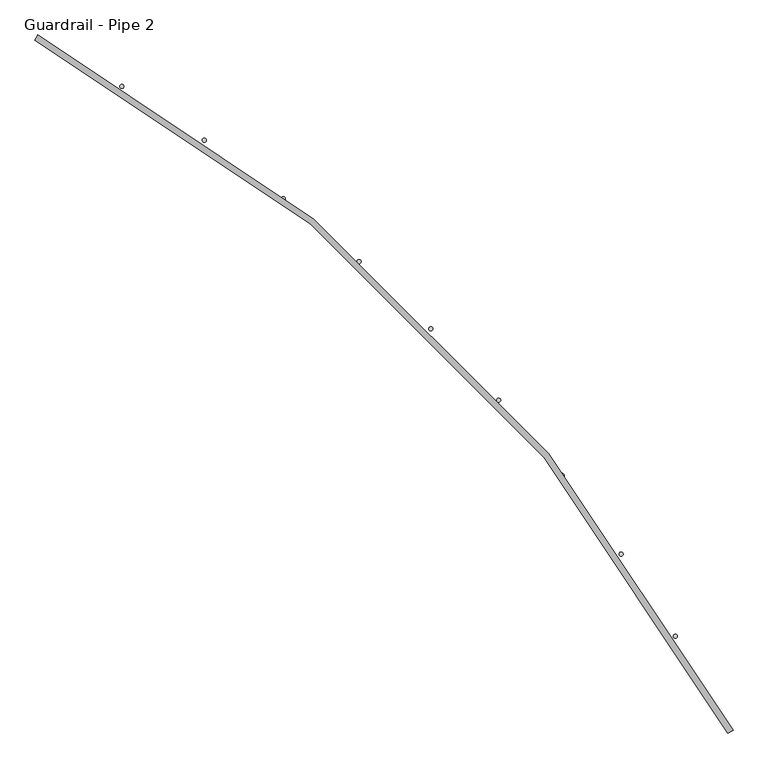
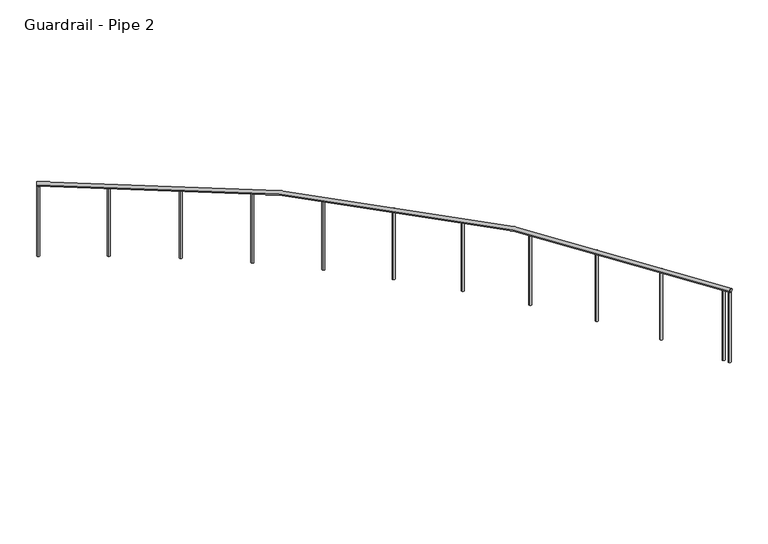
"""IFC4 building model written with IfcOpenShell, lengths in millimetres: railing geometry, Guardrail - Pipe 2."""

from ifc_helpers import new_model, si_unit, point, frame, frame_2d, origin, place, context, project, spatial, circle_curve, ellipse_curve, trimmed, segment, composite_curve, outline, extrude, source, transform, mapped, element, save
from ifc_brep_helpers import plane_surface, revolved_surface, advanced_brep


def guardrail_pipe_2_aff60f2b(model_context):
    return source(origin(), model_context, "Body", "SolidModel", [
        advanced_brep(
        [(572459.8519382, -255066.1139047, 5010.15), (568169.1195853, -250775.3815518, 5010.15), (568187.048997, -250741.7639047, 5010.15), (572493.4695853, -255048.1844929, 5010.15)],
        [
            (0, 1, circle_curve(frame((563265.4254676, -259969.8080223, 5010.15), z_axis=(0.0, 0.0, 1.0), x_axis=(0.4705882352937801, 0.8823529411766506, 0.0)), 10420.35)),
            (1, 2, circle_curve(frame((568178.0842911, -250758.5727282, 5010.15), z_axis=(0.8823529411766491, -0.470588235293783, 0.0), x_axis=(-0.470588235293783, -0.8823529411766491, 0.0)), 19.05)),
            (2, 3, circle_curve(frame((563265.4254676, -259969.8080223, 5010.15), z_axis=(0.0, 0.0, -1.0), x_axis=(0.4705882352937801, 0.8823529411766506, 0.0)), 10458.45)),
            (3, 0, circle_curve(frame((572476.6607617, -255057.1491988, 5010.15), z_axis=(-0.4705882352938028, 0.8823529411766385, 0.0), x_axis=(-0.8823529411766385, -0.4705882352938028, 0.0)), 19.05)),
            (2, 1, circle_curve(frame((568178.0842911, -250758.5727282, 5010.15), z_axis=(0.8823529411766483, -0.47058823529378446, 0.0), x_axis=(-0.47058823529378446, -0.8823529411766483, 0.0)), 19.05)),
            (0, 3, circle_curve(frame((572476.6607617, -255057.1491988, 5010.15), z_axis=(-0.47058823529380434, 0.8823529411766378, 0.0), x_axis=(-0.8823529411766378, -0.47058823529380434, 0.0)), 19.05)),
        ],
        [
            revolved_surface(trimmed(ellipse_curve(frame((568178.0842911, -250758.5727282, 5010.15), z_axis=(-0.8823529411766506, 0.4705882352937801, 0.0), x_axis=(-0.4705882352937801, -0.8823529411766506, 0.0)), 19.05, 19.05), [point((568187.048997, -250741.7639047, 5010.15))], [point((568169.1195853, -250775.3815518, 5010.15))], True, "CARTESIAN"), (563265.4254676, -259969.8080223, 5029.2), (0.0, 0.0, -1.0)),
            revolved_surface(trimmed(ellipse_curve(frame((568178.0842911, -250758.5727282, 5010.15), z_axis=(-0.8823529411766506, 0.4705882352937801, 0.0), x_axis=(-0.4705882352937801, -0.8823529411766506, 0.0)), 19.05, 19.05), [point((568169.1195853, -250775.3815518, 5010.15))], [point((568187.048997, -250741.7639047, 5010.15))], True, "CARTESIAN"), (563265.4254676, -259969.8080223, 5029.2), (0.0, 0.0, -1.0)),
            plane_surface(frame((568178.0842911, -250758.5727282, 5029.2), z_axis=(-0.8823529411766506, 0.4705882352937801, 0.0), x_axis=(0.4705882352937801, 0.8823529411766506, 0.0))),
            plane_surface(frame((572476.6607617, -255057.1491988, 5029.2), z_axis=(0.4705882352938082, -0.8823529411766357, 0.0), x_axis=(0.8823529411766357, 0.4705882352938082, 0.0))),
        ],
        [
            (0, [[1, 2, 3, 4]]),
            (1, [[-3, 5, -1, 6]]),
            (2, [[-2, -5]]),
            (3, [[-6, -4]]),
        ],
    ),
        extrude(outline(composite_curve([segment(trimmed(circle_curve(frame_2d((572442.3450203, -254993.3414161)), 12.7), [point((572453.509156, -254987.2873204))], [point((572431.1808846, -254999.3955117))], False, "CARTESIAN"), True, "CONTINUOUS"), segment(trimmed(circle_curve(frame_2d((572442.3450203, -254993.3414161)), 12.7), [point((572431.1808846, -254999.3955117))], [point((572453.509156, -254987.2873204))], False, "CARTESIAN"), True, "CONTINUOUS")], self_intersect=False)), frame((0.0, 0.0, 4267.2), z_axis=(0.0, 0.0, 1.0), x_axis=(1.0, 0.0, 0.0)), (0.0, 0.0, 1.0), 723.9),
        extrude(outline(composite_curve([segment(trimmed(circle_curve(frame_2d((572136.2719093, -254466.2495582)), 12.7), [point((572147.0636932, -254459.5542316))], [point((572125.4801253, -254472.9448848))], False, "CARTESIAN"), True, "CONTINUOUS"), segment(trimmed(circle_curve(frame_2d((572136.2719093, -254466.2495582)), 12.7), [point((572125.4801253, -254472.9448848))], [point((572147.0636932, -254459.5542316))], False, "CARTESIAN"), True, "CONTINUOUS")], self_intersect=False)), frame((0.0, 0.0, 4267.2), z_axis=(0.0, 0.0, 1.0), x_axis=(1.0, 0.0, 0.0)), (0.0, 0.0, 1.0), 723.9),
        extrude(outline(composite_curve([segment(trimmed(circle_curve(frame_2d((571799.9588885, -253957.9188311)), 12.7), [point((571810.3415326, -253950.6050973))], [point((571789.5762444, -253965.2325649))], False, "CARTESIAN"), True, "CONTINUOUS"), segment(trimmed(circle_curve(frame_2d((571799.9588885, -253957.9188311)), 12.7), [point((571789.5762444, -253965.2325649))], [point((571810.3415326, -253950.6050973))], False, "CARTESIAN"), True, "CONTINUOUS")], self_intersect=False)), frame((0.0, 0.0, 4267.2), z_axis=(0.0, 0.0, 1.0), x_axis=(1.0, 0.0, 0.0)), (0.0, 0.0, 1.0), 723.9),
        extrude(outline(composite_curve([segment(trimmed(circle_curve(frame_2d((571434.5524186, -253470.0820882)), 12.7), [point((571444.4905292, -253462.174879))], [point((571424.6143079, -253477.9892974))], False, "CARTESIAN"), True, "CONTINUOUS"), segment(trimmed(circle_curve(frame_2d((571434.5524186, -253470.0820882)), 12.7), [point((571424.6143079, -253477.9892974))], [point((571444.4905292, -253462.174879))], False, "CARTESIAN"), True, "CONTINUOUS")], self_intersect=False)), frame((0.0, 0.0, 4267.2), z_axis=(0.0, 0.0, 1.0), x_axis=(1.0, 0.0, 0.0)), (0.0, 0.0, 1.0), 723.9),
        extrude(outline(composite_curve([segment(trimmed(circle_curve(frame_2d((571041.2981369, -253004.4023206)), 12.7), [point((571050.7578361, -252995.928591))], [point((571031.8384378, -253012.8760501))], False, "CARTESIAN"), True, "CONTINUOUS"), segment(trimmed(circle_curve(frame_2d((571041.2981369, -253004.4023206)), 12.7), [point((571031.8384378, -253012.8760501))], [point((571050.7578361, -252995.928591))], False, "CARTESIAN"), True, "CONTINUOUS")], self_intersect=False)), frame((0.0, 0.0, 4267.2), z_axis=(0.0, 0.0, 1.0), x_axis=(1.0, 0.0, 0.0)), (0.0, 0.0, 1.0), 723.9),
        extrude(outline(composite_curve([segment(trimmed(circle_curve(frame_2d((570621.5366117, -252562.4669883)), 12.7), [point((570630.4856521, -252553.4556245))], [point((570612.5875714, -252571.4783521))], False, "CARTESIAN"), True, "CONTINUOUS"), segment(trimmed(circle_curve(frame_2d((570621.5366117, -252562.4669883)), 12.7), [point((570612.5875714, -252571.4783521))], [point((570630.4856521, -252553.4556245))], False, "CARTESIAN"), True, "CONTINUOUS")], self_intersect=False)), frame((0.0, 0.0, 4267.2), z_axis=(0.0, 0.0, 1.0), x_axis=(1.0, 0.0, 0.0)), (0.0, 0.0, 1.0), 723.9),
        extrude(outline(composite_curve([segment(trimmed(circle_curve(frame_2d((570176.6987719, -252145.7826087)), 12.7), [point((570185.1066469, -252136.2643296))], [point((570168.2908968, -252155.3008878))], False, "CARTESIAN"), True, "CONTINUOUS"), segment(trimmed(circle_curve(frame_2d((570176.6987719, -252145.7826087)), 12.7), [point((570168.2908968, -252155.3008878))], [point((570185.1066469, -252136.2643296))], False, "CARTESIAN"), True, "CONTINUOUS")], self_intersect=False)), frame((0.0, 0.0, 4267.2), z_axis=(0.0, 0.0, 1.0), x_axis=(1.0, 0.0, 0.0)), (0.0, 0.0, 1.0), 723.9),
        extrude(outline(composite_curve([segment(trimmed(circle_curve(frame_2d((569708.3010291, -251755.769621)), 12.7), [point((569716.1390772, -251745.7768735))], [point((569700.462981, -251765.7623684))], False, "CARTESIAN"), True, "CONTINUOUS"), segment(trimmed(circle_curve(frame_2d((569708.3010291, -251755.769621)), 12.7), [point((569700.462981, -251765.7623684))], [point((569716.1390772, -251745.7768735))], False, "CARTESIAN"), True, "CONTINUOUS")], self_intersect=False)), frame((0.0, 0.0, 4267.2), z_axis=(0.0, 0.0, 1.0), x_axis=(1.0, 0.0, 0.0)), (0.0, 0.0, 1.0), 723.9),
        extrude(outline(composite_curve([segment(trimmed(circle_curve(frame_2d((569217.9401088, -251393.757544)), 12.7), [point((569225.1816108, -251383.3243926))], [point((569210.6986068, -251404.1906955))], False, "CARTESIAN"), True, "CONTINUOUS"), segment(trimmed(circle_curve(frame_2d((569217.9401088, -251393.757544)), 12.7), [point((569210.6986068, -251404.1906955))], [point((569225.1816108, -251383.3243926))], False, "CARTESIAN"), True, "CONTINUOUS")], self_intersect=False)), frame((0.0, 0.0, 4267.2), z_axis=(0.0, 0.0, 1.0), x_axis=(1.0, 0.0, 0.0)), (0.0, 0.0, 1.0), 723.9),
        extrude(outline(composite_curve([segment(trimmed(circle_curve(frame_2d((568707.2876068, -251060.9804442)), 12.7), [point((568713.9078771, -251050.1424544))], [point((568700.6673366, -251071.8184339))], False, "CARTESIAN"), True, "CONTINUOUS"), segment(trimmed(circle_curve(frame_2d((568707.2876068, -251060.9804442)), 12.7), [point((568700.6673366, -251071.8184339))], [point((568713.9078771, -251050.1424544))], False, "CARTESIAN"), True, "CONTINUOUS")], self_intersect=False)), frame((0.0, 0.0, 4267.2), z_axis=(0.0, 0.0, 1.0), x_axis=(1.0, 0.0, 0.0)), (0.0, 0.0, 1.0), 723.9),
        extrude(outline(composite_curve([segment(trimmed(circle_curve(frame_2d((572470.6774764, -255045.9469546)), 12.7), [point((572481.8760798, -255039.9568559))], [point((572459.478873, -255051.9370532))], False, "CARTESIAN"), True, "CONTINUOUS"), segment(trimmed(circle_curve(frame_2d((572470.6774764, -255045.9469546)), 12.7), [point((572459.478873, -255051.9370532))], [point((572481.8760798, -255039.9568559))], False, "CARTESIAN"), True, "CONTINUOUS")], self_intersect=False)), frame((0.0, 0.0, 4267.2), z_axis=(0.0, 0.0, 1.0), x_axis=(1.0, 0.0, 0.0)), (0.0, 0.0, 1.0), 723.9),
        extrude(outline(composite_curve([segment(trimmed(circle_curve(frame_2d((568189.2865354, -250764.5560136)), 12.7), [point((568195.276634, -250753.3574102))], [point((568183.2964368, -250775.754617))], False, "CARTESIAN"), True, "CONTINUOUS"), segment(trimmed(circle_curve(frame_2d((568189.2865354, -250764.5560136)), 12.7), [point((568183.2964368, -250775.754617))], [point((568195.276634, -250753.3574102))], False, "CARTESIAN"), True, "CONTINUOUS")], self_intersect=False)), frame((0.0, 0.0, 4267.2), z_axis=(0.0, 0.0, 1.0), x_axis=(1.0, 0.0, 0.0)), (0.0, 0.0, 1.0), 723.9),
    ])


if __name__ == "__main__":
    model = new_model("IFC4")
    model_context = context("Model", 3, world=origin())
    ifc_project = project(units=[si_unit("LENGTHUNIT", "METRE", prefix="MILLI")], contexts=[model_context])
    site = spatial("IfcSite", under=ifc_project)
    building = spatial("IfcBuilding", under=site)
    placement = place(None, origin())
    guardrail_pipe_2_shape = guardrail_pipe_2_aff60f2b(model_context)
    element("IfcRailing", 1, ObjectType="Guardrail - Pipe 2", at=placement, inside=building, context=model_context, shape_type="MappedRepresentation", body=[
        mapped(guardrail_pipe_2_shape, transform((0.0, 0.0, 0.0), x_axis=(1.0, 0.0, 0.0), y_axis=(0.0, 1.0, 0.0), z_axis=(0.0, 0.0, 1.0))),
    ])
    save(model, "model.ifc")
